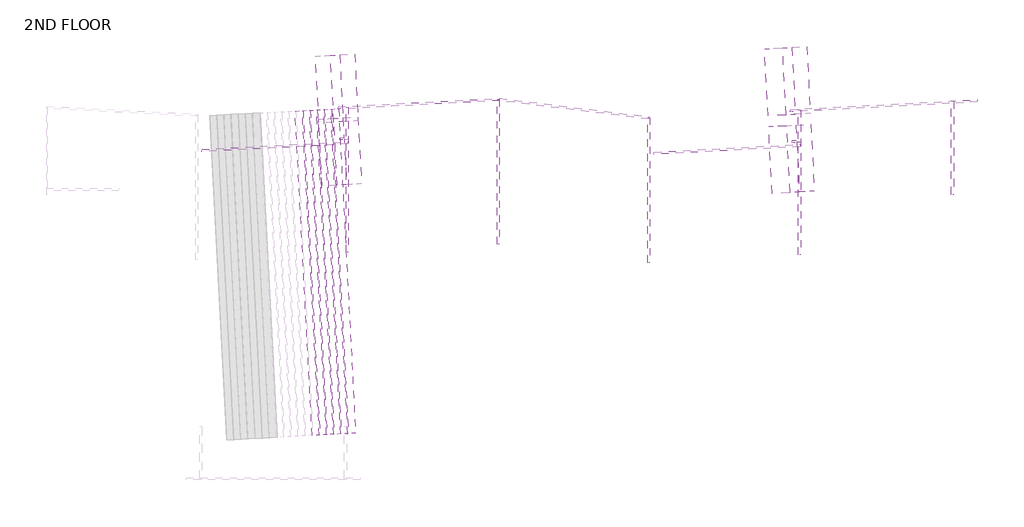
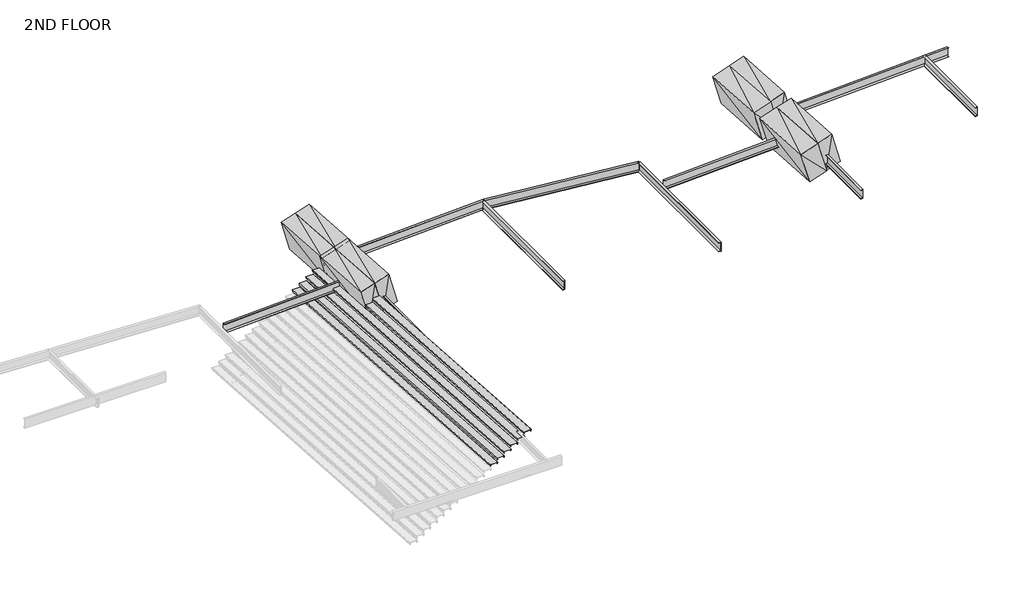
# One storey, part 2 of 2: 12 beams, 8 proxies, 6 plates.
"""IFC4 building model written with IfcOpenShell, lengths in millimetres."""

from ifc_helpers import new_model, si_unit, frame, origin, place, context, project, spatial, polyline, outline, extrude, faceted_brep, element, save

model = new_model("IFC4")

# Units and contexts
model_context = context("Model", 3, world=origin())
ifc_project = project(units=[si_unit("LENGTHUNIT", "METRE", prefix="MILLI")], contexts=[model_context])

# Site, building, storey
site = spatial("IfcSite", under=ifc_project)
building = spatial("IfcBuilding", under=site)
storey = spatial("IfcBuildingStorey", under=building, Name="2ND FLOOR", Elevation=3292.475)

# Beams
placement = place(None, origin())
element("IfcBeam", 1, ObjectType="Steel Beam C 15x33.9", at=placement, inside=storey, context=model_context, shape_type="Brep", body=[
    faceted_brep([(-43206.1477962, 295846.8622346, 5864.224683), (-43206.1478176, 295846.8623245, 6245.224683), (-43201.6280827, 295760.6206755, 6245.2247036), (-43201.6280822, 295760.6206734, 6236.3768735), (-43205.6160824, 295836.716241, 6214.5182014), (-43205.6160644, 295836.7161657, 5894.9311695), (-43201.6280618, 295760.6205878, 5873.0725337), (-43201.6280613, 295760.6205857, 5864.2247036), (-50404.7905159, 295383.1187016, 5864.2243883), (-50409.3102419, 295469.360351, 5864.2243677), (-50407.2824429, 295382.9881073, 5873.0722183), (-50417.4267673, 295458.7610459, 5894.9308538), (-50507.4361292, 295454.0439297, 6214.5178818), (-50509.6044665, 295377.625722, 6236.3765536), (-50512.1050055, 295377.4946764, 6245.2243836), (-50516.6247404, 295463.7363254, 6245.224363)], [[[0, 1, 2, 3, 4, 5, 6, 7]], [[0, 7, 8, 9]], [[7, 6, 10, 8]], [[6, 5, 11, 10]], [[5, 4, 12, 11]], [[4, 3, 13, 12]], [[3, 2, 14, 13]], [[2, 1, 15, 14]], [[1, 0, 9, 15]], [[9, 8, 10, 11, 12, 13, 14, 15]]]),
])
element("IfcBeam", 2, ObjectType="Steel Beam C 15x33.9", at=placement, inside=storey, context=model_context, shape_type="SweptSolid", body=[
    extrude(outline(polyline([(-190.5, -45.7200012), (-190.5, 40.6400012), (-181.6521699, 40.6400012), (-159.793516, -35.5600011), (159.793516, -35.5600011), (181.6521699, 40.6400012), (190.5, 40.6400012), (190.5, -45.7200012), (-190.5, -45.7200012)])), frame((-50157.3794173, 295452.804565, 6054.7244457), z_axis=(1.5099580252808516e-07, -0.9999999999999877, 4.3711388286737366e-08), x_axis=(0.0, 4.371138828673687e-08, 0.9999999999999991)), (0.0, 0.0, 1.0), 5664.1998291),
])
element("IfcBeam", 3, ObjectType="Steel Beam C 15x33.9", at=placement, inside=storey, context=model_context, shape_type="SweptSolid", body=[
    extrude(outline(polyline([(-190.5, -45.7200013), (-190.5, 40.6400012), (-181.6521699, 40.6400012), (-159.7935159, -35.5600011), (159.793516, -35.5600011), (181.6521699, 40.6400012), (190.5, 40.6400012), (190.5, -45.7200013), (-190.5, -45.7200013)])), frame((-44178.2188055, 295798.2554432, 6054.7245334), z_axis=(1.5099580252808516e-07, -0.9999999999999877, 4.3711388286737366e-08), x_axis=(0.0, 4.371138828673687e-08, 0.9999999999999991)), (0.0, 0.0, 1.0), 3657.599926),
])
element("IfcBeam", 4, ObjectType="Steel Beam C 15x33.9", at=placement, inside=storey, context=model_context, shape_type="Brep", body=[
    faceted_brep([(-50113.7947533, 294187.6836284, 6245.223266), (-50113.7945537, 294187.6836108, 5864.223266), (-50118.3143166, 294273.9252583, 5864.2232596), (-50118.3143212, 294273.9252587, 5873.0710897), (-50114.3263066, 294197.8296883, 5894.9297493), (-50114.326474, 294197.8297031, 6214.5167812), (-50118.3145115, 294273.9252755, 6236.3754295), (-50118.3145161, 294273.9252759, 6245.2232596), (-50453.3492448, 294256.3667347, 6245.223085), (-50448.8203422, 294170.1255662, 6245.2230913), (-50450.8481457, 294256.497812, 6236.3752562), (-50440.7038189, 294180.7248791, 6214.5166111), (-50350.6944734, 294185.4420764, 5894.929626), (-50356.5957634, 294185.1328024, 5915.8827335), (-50348.5261408, 294261.8602894, 5873.0709697), (-50346.0342143, 294261.9908859, 5864.2231409), (-50341.5144843, 294175.7492367, 5864.2231473), (-50357.4601998, 294174.9135559, 5920.8399699)], [[[0, 1, 2, 3, 4, 5, 6, 7]], [[0, 7, 8, 9]], [[7, 6, 10, 8]], [[6, 5, 11, 10]], [[5, 4, 12, 13, 11]], [[4, 3, 14, 12]], [[3, 2, 15, 14]], [[2, 1, 16, 15]], [[1, 0, 9, 17, 16]], [[17, 13, 12, 14, 15, 16]], [[13, 17, 9, 8, 10, 11]]]),
])
element("IfcBeam", 5, ObjectType="Steel Beam C 15x33.9", at=placement, inside=storey, context=model_context, shape_type="SweptSolid", body=[
    extrude(outline(polyline([(-190.5, -45.7200013), (-190.5, 40.6400011), (-181.6521699, 40.6400011), (-159.793516, -35.5600011), (159.7935159, -35.5600011), (181.6521699, 40.6400011), (190.5, 40.6400011), (190.5, -45.7200013), (-190.5, -45.7200013)])), frame((-56050.1787948, 295147.9949947, 6054.7239689), z_axis=(1.5099580252808516e-07, -0.9999999999999877, 4.3711388286737366e-08), x_axis=(0.0, 4.371138828673687e-08, 0.9999999999999991)), (0.0, 0.0, 1.0), 5664.1998291),
])
element("IfcBeam", 6, ObjectType="Steel Beam C 15x33.9", at=placement, inside=storey, context=model_context, shape_type="SweptSolid", body=[
    extrude(outline(polyline([(-45.7176046, 190.5005752), (40.6423977, 190.4994888), (40.6422864, 181.6516587), (-35.5579908, 159.7939634), (-35.5620115, -159.7930686), (40.6377158, -181.6526811), (40.6376045, -190.5005112), (-45.7223979, -190.4994248), (-45.7176046, 190.5005752)])), frame((-55847.5746818, 293752.4416829, 6054.7053005), z_axis=(0.9986295962349371, 0.05233478311063556, 6.397578599484194e-07), x_axis=(0.05233478311454586, -0.9986295961603223, -1.2207581561388907e-05)), (0.0, 0.0, 1.0), 5718.023777),
])
element("IfcBeam", 7, ObjectType="Steel Beam C 15x33.9", at=placement, inside=storey, context=model_context, shape_type="Brep", body=[
    faceted_brep([(-67792.1967003, 294293.5796245, 6245.223266), (-67792.1965007, 294293.5796069, 5864.223266), (-67796.7162636, 294379.8212544, 5864.2232596), (-67796.7162682, 294379.8212548, 5873.0710897), (-67792.7282536, 294303.7256844, 5894.9297493), (-67792.728421, 294303.7256991, 6214.5167812), (-67796.7164585, 294379.8212716, 6236.3754295), (-67796.7164631, 294379.821272, 6245.2232596), (-68131.7511918, 294362.2627308, 6245.223085), (-68127.2119894, 294276.0221021, 6245.2230913), (-68129.2397907, 294362.394348, 6236.3752562), (-68119.0954649, 294286.6214151, 6214.5166111), (-68029.0861086, 294291.3386129, 5894.9296261), (-68078.2320872, 294288.7629773, 6069.4272092), (-68026.9177735, 294367.7568261, 5873.0709697), (-68024.4258467, 294367.8874226, 5864.2231409), (-68019.9061186, 294281.6457733, 5864.2231473), (-68079.104903, 294278.5432916, 6074.4141962)], [[[0, 1, 2, 3, 4, 5, 6, 7]], [[0, 7, 8, 9]], [[7, 6, 10, 8]], [[6, 5, 11, 10]], [[5, 4, 12, 13, 11]], [[4, 3, 14, 12]], [[3, 2, 15, 14]], [[2, 1, 16, 15]], [[1, 0, 9, 17, 16]], [[17, 13, 12, 14, 15, 16]], [[13, 17, 9, 8, 10, 11]]]),
])
element("IfcBeam", 8, ObjectType="Steel Beam C 15x33.9", at=placement, inside=storey, context=model_context, shape_type="SweptSolid", body=[
    extrude(outline(polyline([(-45.7171875, 190.5006752), (40.6428149, 190.4993997), (40.6426842, 181.6515696), (-35.5576409, 159.7940412), (-35.5623612, -159.7929907), (40.6373182, -181.6527701), (40.6371875, -190.5006002), (-45.7228149, -190.4993247), (-45.7171875, 190.5006752)])), frame((-73525.972851, 293858.3383766, 6054.7046186), z_axis=(0.9986296026283418, 0.05233466111272901, 7.589671121890638e-07), x_axis=(0.05233466111823235, -0.9986296025233291, -1.4482314578116148e-05)), (0.0, 0.0, 1.0), 5718.023777),
])
element("IfcBeam", 9, ObjectType="Steel Beam C 15x33.9", at=placement, inside=storey, context=model_context, shape_type="SweptSolid", body=[
    extrude(outline(polyline([(-190.5, -45.7200012), (-190.5, 40.6400012), (-181.6521699, 40.6400012), (-159.793516, -35.5600011), (159.793516, -35.5600011), (181.6521699, 40.6400012), (190.5, 40.6400012), (190.5, -45.7200012), (-190.5, -45.7200012)])), frame((-67835.7775496, 295558.7005611, 6054.7244457), z_axis=(1.5099580252808516e-07, -0.9999999999999877, 4.3711388286737366e-08), x_axis=(0.0, 4.371138828673687e-08, 0.9999999999999991)), (0.0, 0.0, 1.0), 5664.1998291),
])
element("IfcBeam", 10, ObjectType="Steel Beam C 15x33.9", at=placement, inside=storey, context=model_context, shape_type="Brep", body=[
    faceted_brep([(-61899.1522603, 295899.5965816, 5864.224675), (-61899.1524669, 295899.5967329, 6245.224675), (-61894.6328349, 295813.3550785, 6245.2247116), (-61894.6328301, 295813.355075, 6236.3768815), (-61898.6207288, 295889.4506439, 6214.5181952), (-61898.6205556, 295889.450517, 5894.9311633), (-61894.6326331, 295813.3549308, 5873.0725417), (-61894.6326283, 295813.3549273, 5864.2247116), (-68083.1806991, 295489.0341558, 5864.2214858), (-68087.7004189, 295575.2758056, 5864.2214491), (-68085.6726261, 295488.9035661, 5873.0693146), (-68095.8169452, 295564.6765165, 5894.9279329), (-68185.8263103, 295559.9595676, 6214.5149179), (-68187.9946533, 295483.541371, 6236.3736011), (-68190.5017985, 295483.4099838, 6245.2214298), (-68195.0214305, 295569.6516382, 6245.2213931)], [[[0, 1, 2, 3, 4, 5, 6, 7]], [[0, 7, 8, 9]], [[7, 6, 10, 8]], [[6, 5, 11, 10]], [[5, 4, 12, 11]], [[4, 3, 13, 12]], [[3, 2, 14, 13]], [[2, 1, 15, 14]], [[1, 0, 9, 15]], [[9, 8, 10, 11, 12, 13, 14, 15]]]),
])
element("IfcBeam", 11, ObjectType="Steel Beam C 15x33.9", at=placement, inside=storey, context=model_context, shape_type="SweptSolid", body=[
    extrude(outline(polyline([(-190.5, -45.7200012), (-190.5, 40.6400012), (-181.6521699, 40.6400012), (-159.793516, -35.5600011), (159.793516, -35.5600011), (181.6521699, 40.6400012), (190.5, 40.6400012), (190.5, -45.7200012), (-190.5, -45.7200012)])), frame((-61942.9781722, 295863.4796139, 6054.7244457), z_axis=(1.5099580252808516e-07, -0.9999999999999877, 4.3711388286737366e-08), x_axis=(0.0, 4.371138828673687e-08, 0.9999999999999991)), (0.0, 0.0, 1.0), 5664.1998291),
])
element("IfcBeam", 12, ObjectType="Steel Beam C 15x33.9", at=placement, inside=storey, context=model_context, shape_type="SweptSolid", body=[
    extrude(outline(polyline([(45.7207141, -190.4998289), (-40.6392883, -190.500152), (-40.6393214, -181.6523219), (35.5605991, -159.7933829), (35.5594031, 159.793649), (-40.640681, 181.6520179), (-40.640714, 190.499848), (45.7192884, 190.5001711), (45.7207141, -190.4998289)])), frame((-56048.3418011, 295135.8353854, 6054.7223295), z_axis=(-0.992546186979985, 0.12186905559382903, 4.013392541552671e-07), x_axis=(0.12186905559448986, 0.9925461869746027, 3.2686537567229004e-06)), (0.0, 0.0, 1.0), 5892.7993774),
])

# Proxies
element("IfcBuildingElementProxy", 13, Name="Generic Models", at=placement, inside=storey, context=model_context, shape_type="Brep", body=[
    faceted_brep([(-51526.1801111, 297839.7027194, 6673.5782087), (-51027.1229829, 295232.2289756, 5390.3473612), (-51388.5355983, 295213.2881427, 6673.5781962), (-51164.7674957, 297858.6435522, 5390.3473738), (-50820.3445975, 297876.6939788, 6872.9176396), (-50458.931982, 297895.6348116, 5589.6868047), (-50682.7000846, 295250.2794021, 6872.9176271), (-50321.2874692, 295269.220235, 5589.6867921)], [[[0, 1, 2]], [[3, 1, 0]], [[3, 4, 5]], [[0, 4, 3]], [[5, 6, 7]], [[4, 6, 5]], [[2, 7, 6]], [[1, 7, 2]], [[7, 3, 5]], [[1, 3, 7]], [[2, 4, 0]], [[6, 4, 2]]]),
])
element("IfcBuildingElementProxy", 14, Name="Generic Models", at=placement, inside=storey, context=model_context, shape_type="Brep", body=[
    faceted_brep([(-50524.3035264, 292227.8752227, 6872.916609), (-50075.218182, 294869.3266521, 7038.3867545), (-50661.1268168, 294838.6204988, 6872.9166247), (-49938.3948917, 292258.581376, 7038.3867388), (-50162.8910311, 292246.8160468, 5589.6862938), (-50299.7143215, 294857.5613229, 5589.6863095), (-49713.8056867, 294888.2674762, 5755.1564393), (-49576.9823963, 292277.5222001, 5755.1564236)], [[[0, 1, 2]], [[3, 1, 0]], [[2, 4, 0]], [[5, 4, 2]], [[6, 3, 7]], [[1, 3, 6]], [[5, 1, 6]], [[2, 1, 5]], [[7, 5, 6]], [[4, 5, 7]], [[0, 4, 3]], [[3, 4, 7]]]),
])
element("IfcBuildingElementProxy", 15, Name="Generic Models", at=placement, inside=storey, context=model_context, shape_type="Brep", body=[
    faceted_brep([(-50683.5213569, 295265.9306326, 6872.9166111), (-50234.4360125, 297907.382062, 7038.3867567), (-50820.3446472, 297876.6759087, 6872.9166269), (-50097.6127221, 295296.6367859, 7038.3867409), (-50322.1088615, 295284.8714567, 5589.6862959), (-50458.9321519, 297895.6167327, 5589.6863117), (-49873.0235171, 297926.322886, 5755.1564415), (-49736.2002268, 295315.57761, 5755.1564257)], [[[0, 1, 2]], [[3, 1, 0]], [[2, 4, 0]], [[5, 4, 2]], [[6, 3, 7]], [[1, 3, 6]], [[5, 1, 6]], [[1, 5, 2]], [[7, 5, 6]], [[4, 5, 7]], [[0, 4, 3]], [[3, 4, 7]]]),
])
element("IfcBuildingElementProxy", 16, Name="Generic Models", at=placement, inside=storey, context=model_context, shape_type="Brep", body=[
    faceted_brep([(-51366.9622756, 294801.6472799, 6673.5782087), (-50867.9051474, 292194.1735361, 5390.3473612), (-51229.3177628, 292175.2327033, 6673.5781962), (-51005.5496602, 294820.5881128, 5390.3473738), (-50661.126762, 294838.6385393, 6872.9176396), (-50299.7141465, 294857.5793722, 5589.6868047), (-50523.4822492, 292212.2239627, 6872.9176271), (-50162.0696337, 292231.1647955, 5589.6867921)], [[[0, 1, 2]], [[3, 1, 0]], [[3, 4, 5]], [[0, 4, 3]], [[5, 6, 7]], [[4, 6, 5]], [[2, 7, 6]], [[1, 7, 2]], [[7, 3, 5]], [[1, 3, 7]], [[2, 4, 0]], [[6, 4, 2]]]),
])
element("IfcBuildingElementProxy", 17, Name="Generic Models", at=placement, inside=storey, context=model_context, shape_type="Brep", body=[
    faceted_brep([(-68816.2194468, 292477.3869438, 6772.8857031), (-68367.1340759, 295118.8383681, 6938.3558571), (-68953.0427089, 295088.1322213, 6772.88572), (-68230.3108138, 292508.0930905, 6938.3558401), (-68454.8069354, 292496.3277654, 5489.6553924), (-68591.6301975, 295107.0730429, 5489.6554093), (-68005.7215644, 295137.7791897, 5655.1255464), (-67868.8983024, 292527.0339121, 5655.1255294)], [[[0, 1, 2]], [[3, 1, 0]], [[2, 4, 0]], [[5, 4, 2]], [[6, 3, 7]], [[1, 3, 6]], [[5, 1, 6]], [[2, 1, 5]], [[7, 5, 6]], [[4, 5, 7]], [[0, 4, 3]], [[3, 4, 7]]]),
])
element("IfcBuildingElementProxy", 18, Name="Generic Models", at=placement, inside=storey, context=model_context, shape_type="Brep", body=[
    faceted_brep([(-68230.3124448, 292508.1486608, 6938.3553563), (-67781.2270903, 295149.6000884, 7103.8255021), (-68367.1357252, 295118.8939374, 6938.3553724), (-67644.4038099, 292538.8548118, 7103.8254861), (-67868.8999495, 292527.0894836, 5655.1250411), (-68005.7232299, 295137.8347602, 5655.1250572), (-67419.814595, 295168.5409112, 5820.5951869), (-67282.9913146, 292557.7956347, 5820.5951709)], [[[0, 1, 2]], [[3, 1, 0]], [[2, 4, 0]], [[5, 4, 2]], [[6, 3, 7]], [[1, 3, 6]], [[5, 1, 6]], [[1, 5, 2]], [[7, 5, 6]], [[4, 5, 7]], [[0, 4, 3]], [[3, 4, 7]]]),
])
element("IfcBuildingElementProxy", 19, Name="Generic Models", at=placement, inside=storey, context=model_context, shape_type="Brep", body=[
    faceted_brep([(-68945.3698228, 294941.7424029, 6772.8876142), (-68496.2844594, 297583.1938287, 6938.357765), (-69082.1930944, 297552.48768, 6772.8876352), (-68359.4611878, 294972.4485517, 6938.357744), (-68583.9573274, 294960.683227, 5489.657299), (-68720.7805991, 297571.4285041, 5489.65732), (-68134.8719641, 297602.1346528, 5655.1274498), (-67998.0486924, 294991.3893758, 5655.1274288)], [[[0, 1, 2]], [[3, 1, 0]], [[2, 4, 0]], [[5, 4, 2]], [[6, 3, 7]], [[1, 3, 6]], [[5, 1, 6]], [[1, 5, 2]], [[7, 5, 6]], [[4, 5, 7]], [[0, 4, 3]], [[3, 4, 7]]]),
])
element("IfcBuildingElementProxy", 20, Name="Generic Models", at=placement, inside=storey, context=model_context, shape_type="Brep", body=[
    faceted_brep([(-68359.4628344, 294972.4735967, 6938.3553504), (-67910.3774795, 297613.9250243, 7103.825495), (-68496.2861148, 297583.2188733, 6938.3553664), (-67773.5541992, 295003.1797478, 7103.8254789), (-67998.0503417, 294991.4144194, 5655.1250344), (-68134.8736221, 297602.159696, 5655.1250504), (-67548.9649868, 297632.865847, 5820.595179), (-67412.1417065, 295022.1205705, 5820.595163)], [[[0, 1, 2]], [[3, 1, 0]], [[2, 4, 0]], [[5, 4, 2]], [[6, 3, 7]], [[1, 3, 6]], [[5, 1, 6]], [[2, 1, 5]], [[7, 5, 6]], [[4, 5, 7]], [[0, 4, 3]], [[3, 4, 7]]]),
])

# Plates
element("IfcPlate", 21, ObjectType="Stair Step", at=placement, inside=storey, context=model_context, shape_type="SolidModel", body=[
    faceted_brep([(-69211.2515794, 282723.0063899, 5478.9022925), (-69198.5689799, 282723.6710809, 5402.7022934), (-69192.3139238, 282723.9988896, 5403.7462339), (-69202.881066, 282723.4450667, 5472.5522931), (-68915.2397986, 282738.5195012, 5472.5523148), (-68925.8069336, 282737.9657386, 5403.746254), (-68919.5518774, 282738.2935482, 5402.7023145), (-68906.8692859, 282738.9581724, 5478.9023154), (-69875.9091642, 295405.6016914, 5478.9028383), (-69571.5268706, 295421.5534739, 5478.9028613), (-69584.2094622, 295420.8888497, 5402.7028604), (-69590.4645183, 295420.5610401, 5403.7467999), (-69579.8973833, 295421.1148027, 5472.5528607), (-69867.5386508, 295406.0403682, 5472.552839), (-69856.9715085, 295406.5941911, 5403.7467798), (-69863.2265646, 295406.2663824, 5402.7028393)], [[[0, 1, 2, 3, 4, 5, 6, 7]], [[8, 9, 10, 11, 12, 13, 14, 15]], [[1, 0, 8, 15]], [[2, 1, 15, 14]], [[3, 2, 14, 13]], [[4, 3, 13, 12]], [[5, 4, 12, 11]], [[6, 5, 11, 10]], [[7, 6, 10, 9]], [[0, 7, 9, 8]]]),
    extrude(outline(polyline([(39.426515, -152.4), (-36.773485, -139.7), (-35.7295451, -133.43636), (33.0765149, -144.018), (33.076515, 144.018), (-35.729545, 133.43636), (-36.7734851, 139.7), (39.426515, 152.4), (39.426515, -152.4)])), frame((-69717.376706, 295413.9099121, 5439.4763018), z_axis=(0.05233525804183852, -0.9986295713454987, 3.9512018292649394e-09), x_axis=(-7.549790124755717e-08, 0.0, 0.9999999999999972)), (0.0, 0.0, 1.0), 1143.0),
])
element("IfcPlate", 22, ObjectType="Stair Step", at=placement, inside=storey, context=model_context, shape_type="SolidModel", body=[
    faceted_brep([(-68932.6123432, 282737.6242496, 5650.0219824), (-68919.9297435, 282738.2889391, 5573.8219834), (-68913.6746874, 282738.616747, 5574.8659238), (-68924.2418297, 282738.0629254, 5643.671983), (-68636.6005605, 282753.1373256, 5643.6720048), (-68647.1676956, 282752.5835643, 5574.865944), (-68640.9126393, 282752.9113732, 5573.8220044), (-68628.2300477, 282753.5759959, 5650.0220054), (-69597.2684181, 295420.2196302, 5650.0225283), (-69292.8861226, 295436.1713765, 5650.0225513), (-69305.5687143, 295435.5067538, 5573.8225503), (-69311.8237705, 295435.1789449, 5574.8664898), (-69301.2566354, 295435.7327062, 5643.6725506), (-69588.8979046, 295420.658306, 5643.6725289), (-69578.3307623, 295421.2121276, 5574.8664697), (-69584.5858184, 295420.8843197, 5573.8225292)], [[[0, 1, 2, 3, 4, 5, 6, 7]], [[8, 9, 10, 11, 12, 13, 14, 15]], [[1, 0, 8, 15]], [[2, 1, 15, 14]], [[3, 2, 14, 13]], [[4, 3, 13, 12]], [[5, 4, 12, 11]], [[6, 5, 11, 10]], [[7, 6, 10, 9]], [[0, 7, 9, 8]]]),
    extrude(outline(polyline([(39.426515, -152.4), (-36.773485, -139.6999999), (-35.729545, -133.43636), (33.076515, -144.018), (33.0765151, 144.018), (-35.7295449, 133.4363601), (-36.773485, 139.7), (39.426515, 152.4), (39.426515, -152.4)])), frame((-69438.7359589, 295428.527832, 5610.5959917), z_axis=(0.052335139159052316, -0.998629577575791, 3.951192972131066e-09), x_axis=(-7.549790125374674e-08, 0.0, 0.9999999999999972)), (0.0, 0.0, 1.0), 1143.0),
])
element("IfcPlate", 23, ObjectType="Stair Step", at=placement, inside=storey, context=model_context, shape_type="SolidModel", body=[
    faceted_brep([(-68375.330849, 282766.8600894, 5992.2608855), (-68362.6482494, 282767.5247789, 5916.0608864), (-68356.3931933, 282767.8525869, 5917.1048269), (-68366.9603356, 282767.2987652, 5985.9108861), (-68079.3190664, 282782.3731655, 5985.9109078), (-68089.8862014, 282781.8194042, 5917.104847), (-68083.6311452, 282782.147213, 5916.0609075), (-68070.9485536, 282782.8118357, 5992.2609084), (-69039.9869239, 295449.45547, 5992.2614313), (-68735.6046285, 295465.4072163, 5992.2614543), (-68748.2872201, 295464.7425936, 5916.0614533), (-68754.5422763, 295464.4147848, 5917.1053929), (-68743.9751413, 295464.9685461, 5985.9114537), (-69031.6164105, 295449.8941459, 5985.911432), (-69021.0492682, 295450.4479675, 5917.1053727), (-69027.3043243, 295450.1201595, 5916.0614323)], [[[0, 1, 2, 3, 4, 5, 6, 7]], [[8, 9, 10, 11, 12, 13, 14, 15]], [[1, 0, 8, 15]], [[2, 1, 15, 14]], [[3, 2, 14, 13]], [[4, 3, 13, 12]], [[5, 4, 12, 11]], [[6, 5, 11, 10]], [[7, 6, 10, 9]], [[0, 7, 9, 8]]]),
    extrude(outline(polyline([(39.4265149, -152.4), (-36.773485, -139.7), (-35.7295451, -133.43636), (33.0765149, -144.018), (33.076515, 144.018), (-35.729545, 133.43636), (-36.7734851, 139.7), (39.426515, 152.4), (39.4265149, -152.4)])), frame((-68881.4544648, 295457.7636719, 5952.8348948), z_axis=(0.052335139159052316, -0.998629577575791, 3.951192972131066e-09), x_axis=(-7.549790125374674e-08, 0.0, 0.9999999999999972)), (0.0, 0.0, 1.0), 1143.0),
])
element("IfcPlate", 24, ObjectType="Stair Step", at=placement, inside=storey, context=model_context, shape_type="SolidModel", body=[
    faceted_brep([(-68653.9715961, 282752.2421695, 5821.1411955), (-68641.2889964, 282752.906859, 5744.9411965), (-68635.0339403, 282753.2346669, 5745.9851369), (-68645.6010826, 282752.6808453, 5814.7911961), (-68357.9598134, 282767.7552455, 5814.7912179), (-68368.5269485, 282767.2014843, 5745.9851571), (-68362.2718923, 282767.5292931, 5744.9412175), (-68349.5893006, 282768.1939158, 5821.1412185), (-69318.627671, 295434.8375501, 5821.1417414), (-69014.2453755, 295450.7892964, 5821.1417644), (-69026.9279672, 295450.1246737, 5744.9417634), (-69033.1830234, 295449.7968649, 5745.9857029), (-69022.6158883, 295450.3506262, 5814.7917637), (-69310.2571576, 295435.2762259, 5814.791742), (-69299.6900152, 295435.8300476, 5745.9856828), (-69305.9450714, 295435.5022396, 5744.9417423)], [[[0, 1, 2, 3, 4, 5, 6, 7]], [[8, 9, 10, 11, 12, 13, 14, 15]], [[1, 0, 8, 15]], [[2, 1, 15, 14]], [[3, 2, 14, 13]], [[4, 3, 13, 12]], [[5, 4, 12, 11]], [[6, 5, 11, 10]], [[7, 6, 10, 9]], [[0, 7, 9, 8]]]),
    extrude(outline(polyline([(39.426515, -152.4000001), (-36.7734849, -139.7), (-35.729545, -133.4363601), (33.076515, -144.018), (33.0765151, 144.018), (-35.7295449, 133.43636), (-36.773485, 139.7), (39.426515, 152.4), (39.426515, -152.4000001)])), frame((-69160.0952119, 295443.145752, 5781.7152048), z_axis=(0.052335139159052316, -0.998629577575791, 3.951192972131066e-09), x_axis=(-7.549790125374674e-08, 0.0, 0.9999999999999972)), (0.0, 0.0, 1.0), 1143.0),
])
element("IfcPlate", 25, ObjectType="Stair Step", at=placement, inside=storey, context=model_context, shape_type="SolidModel", body=[
    faceted_brep([(-68096.690102, 282781.4780094, 6163.3805754), (-68084.0075023, 282782.1426989, 6087.1805764), (-68077.7524462, 282782.4705068, 6088.2245168), (-68088.3195885, 282781.9166852, 6157.030576), (-67800.6783193, 282796.9910854, 6157.0305977), (-67811.2454544, 282796.4373241, 6088.2245369), (-67804.9903981, 282796.7651329, 6087.1805974), (-67792.3078065, 282797.4297556, 6163.3805984), (-68761.3461769, 295464.07339, 6163.3811213), (-68456.9638814, 295480.0251362, 6163.3811442), (-68469.6464731, 295479.3605135, 6087.1811433), (-68475.9015293, 295479.0327047, 6088.2250828), (-68465.3343942, 295479.586466, 6157.0311436), (-68752.9756634, 295464.5120658, 6157.0311219), (-68742.4085211, 295465.0658874, 6088.2250627), (-68748.6635772, 295464.7380795, 6087.1811222)], [[[0, 1, 2, 3, 4, 5, 6, 7]], [[8, 9, 10, 11, 12, 13, 14, 15]], [[1, 0, 8, 15]], [[2, 1, 15, 14]], [[3, 2, 14, 13]], [[4, 3, 13, 12]], [[5, 4, 12, 11]], [[6, 5, 11, 10]], [[7, 6, 10, 9]], [[0, 7, 9, 8]]]),
    extrude(outline(polyline([(39.426515, -152.4), (-36.773485, -139.6999999), (-35.729545, -133.43636), (33.076515, -144.018), (33.076515, 144.018), (-35.729545, 133.43636), (-36.773485, 139.7), (39.426515, 152.4), (39.426515, -152.4)])), frame((-68602.8137177, 295472.3815918, 6123.9545847), z_axis=(0.052335139159052316, -0.998629577575791, 3.951192972131066e-09), x_axis=(-7.549790125374674e-08, 0.0, 0.9999999999999972)), (0.0, 0.0, 1.0), 1143.0),
])
element("IfcPlate", 26, ObjectType="Stair Step", at=placement, inside=storey, context=model_context, shape_type="SolidModel", body=[
    faceted_brep([(-67818.0493549, 282796.0959293, 6334.4997885), (-67805.3667552, 282796.7606188, 6258.2997895), (-67799.1116991, 282797.0884267, 6259.3437299), (-67809.6788414, 282796.5346051, 6328.1497891), (-67522.0375722, 282811.6090053, 6328.1498108), (-67532.6047073, 282811.055244, 6259.34375), (-67526.3496511, 282811.3830529, 6258.2998105), (-67513.6670594, 282812.0476756, 6334.4998115), (-68482.7054298, 295478.6913099, 6334.5003344), (-68178.3231343, 295494.6430562, 6334.5003573), (-68191.005726, 295493.9784335, 6258.3003564), (-68197.2607822, 295493.6506246, 6259.3442959), (-68186.6936471, 295494.2043859, 6328.1503567), (-68474.3349163, 295479.1299857, 6328.150335), (-68463.767774, 295479.6838073, 6259.3442758), (-68470.0228302, 295479.3559994, 6258.3003353)], [[[0, 1, 2, 3, 4, 5, 6, 7]], [[8, 9, 10, 11, 12, 13, 14, 15]], [[1, 0, 8, 15]], [[2, 1, 15, 14]], [[3, 2, 14, 13]], [[4, 3, 13, 12]], [[5, 4, 12, 11]], [[6, 5, 11, 10]], [[7, 6, 10, 9]], [[0, 7, 9, 8]]]),
    extrude(outline(polyline([(39.426515, -152.4000001), (-36.773485, -139.7), (-35.729545, -133.4363601), (33.076515, -144.0180001), (33.076515, 144.018), (-35.729545, 133.43636), (-36.773485, 139.7), (39.426515, 152.4), (39.426515, -152.4000001)])), frame((-68324.1729707, 295486.9995117, 6295.0737978), z_axis=(0.052335139159052316, -0.998629577575791, 3.951192972131066e-09), x_axis=(-7.549790125374674e-08, 0.0, 0.9999999999999972)), (0.0, 0.0, 1.0), 1143.0),
])

save(model, "model.ifc")
